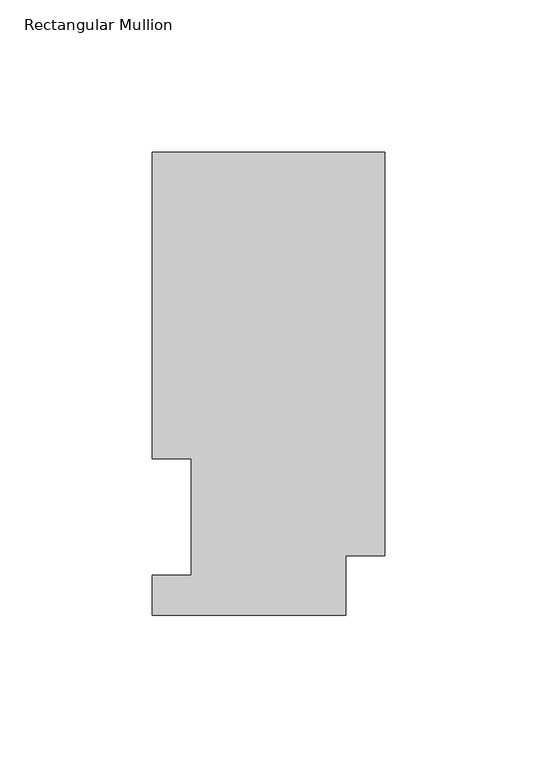
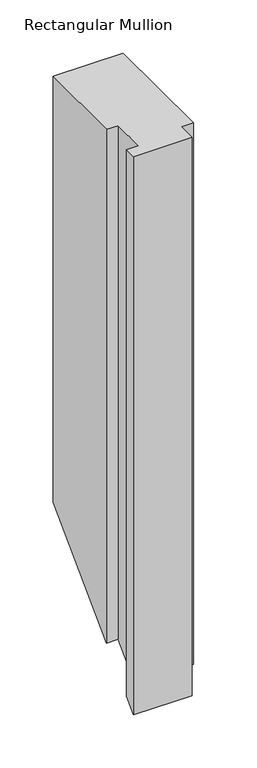
"""IFC4 building model written with IfcOpenShell, lengths in millimetres: member geometry, Rectangular Mullion."""

from ifc_helpers import new_model, si_unit, origin, place, context, project, spatial, faceted_brep, source, transform, mapped, element, save


def rectangular_mullion_ec4fbc0b(model_context):
    return source(origin(), model_context, "Body", "Brep", [
        faceted_brep([(0.0, 151.8147517, 0.0), (-76.2, 151.8147517, 0.0), (-76.2, 51.2053517, 0.0), (-63.5127, 51.2053517, 0.0), (-63.5127, 13.1053517, 0.0), (-76.2, 13.1053517, 0.0), (-76.2, -0.0772483, 0.0), (-12.7, -0.0772483, 0.0), (-12.7, 19.4553517, 0.0), (0.0, 19.4553517, 0.0), (0.0, 151.8147517, -489.5352486), (-76.2, 151.8147517, -489.5352486), (-76.2, 51.2053517, -590.1446486), (-63.5127, 51.2053517, -590.1446486), (-63.5127, 13.1053517, -628.2446486), (-76.2, 13.1053517, -628.2446486), (-76.2, -0.0772483, -641.4272486), (-12.7, -0.0772483, -641.4272486), (-12.7, 19.4553517, -621.8946486), (0.0, 19.4553517, -621.8946486)], [[[0, 1, 2, 3, 4, 5, 6, 7, 8, 9]], [[1, 0, 10, 11]], [[2, 1, 11, 12]], [[3, 2, 12, 13]], [[4, 3, 13, 14]], [[5, 4, 14, 15]], [[6, 5, 15, 16]], [[7, 6, 16, 17]], [[8, 7, 17, 18]], [[9, 8, 18, 19]], [[0, 9, 19, 10]], [[10, 19, 18, 17, 16, 15, 14, 13, 12, 11]]]),
    ])


if __name__ == "__main__":
    model = new_model("IFC4")
    model_context = context("Model", 3, world=origin())
    ifc_project = project(units=[si_unit("LENGTHUNIT", "METRE", prefix="MILLI")], contexts=[model_context])
    site = spatial("IfcSite", under=ifc_project)
    building = spatial("IfcBuilding", under=site)
    placement = place(None, origin())
    rectangular_mullion_shape = rectangular_mullion_ec4fbc0b(model_context)
    element("IfcMember", 1, ObjectType="Rectangular Mullion", at=placement, inside=building, context=model_context, shape_type="MappedRepresentation", body=[
        mapped(rectangular_mullion_shape, transform((0.0, 0.0, 0.0), x_axis=(1.0, 0.0, 0.0), y_axis=(0.0, 1.0, 0.0), z_axis=(0.0, 0.0, 1.0))),
    ])
    save(model, "model.ifc")
